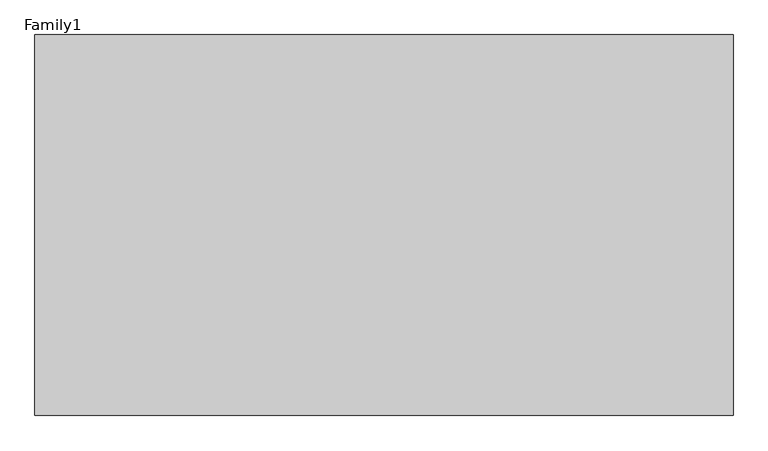
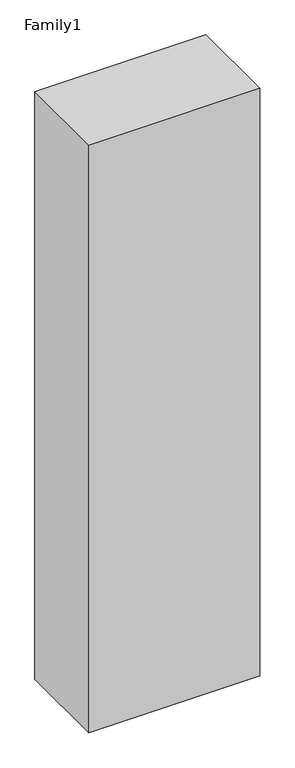
"""IFC4 building model written with IfcOpenShell, lengths in millimetres: proxy geometry, Family1."""

from ifc_helpers import new_model, si_unit, origin, origin_with_axes, place, context, project, spatial, polyline, outline, extrude, source, transform, mapped, element, save


def family1_459d5f5b(model_context):
    return source(origin(), model_context, "Body", "SweptSolid", [
        extrude(outline(polyline([(5500.0, 0.0), (0.0, 0.0), (0.0, 3000.0), (5500.0, 3000.0), (5500.0, 0.0)])), origin_with_axes(), (0.0, 0.0, 1.0), 20000.0),
    ])


if __name__ == "__main__":
    model = new_model("IFC4")
    model_context = context("Model", 3, world=origin())
    ifc_project = project(units=[si_unit("LENGTHUNIT", "METRE", prefix="MILLI")], contexts=[model_context])
    site = spatial("IfcSite", under=ifc_project)
    building = spatial("IfcBuilding", under=site)
    placement = place(None, origin())
    family1_shape = family1_459d5f5b(model_context)
    element("IfcBuildingElementProxy", 1, Name="Family1", ObjectType="Family1", at=placement, inside=building, context=model_context, shape_type="MappedRepresentation", body=[
        mapped(family1_shape, transform((0.0, 0.0, 0.0), x_axis=(1.0, 0.0, 0.0), y_axis=(0.0, 1.0, 0.0), z_axis=(0.0, 0.0, 1.0))),
    ])
    save(model, "model.ifc")
